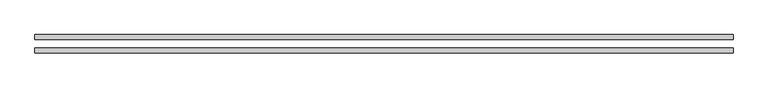
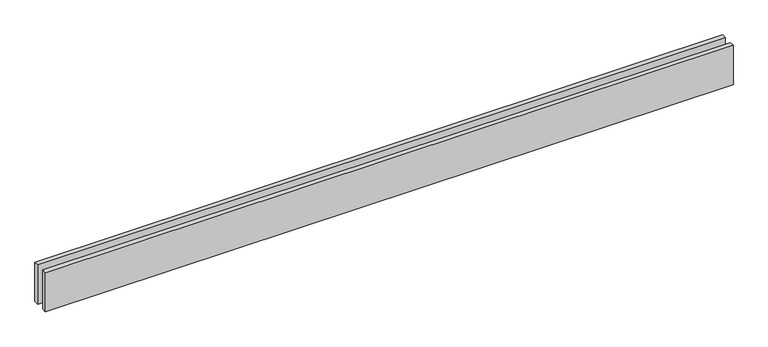
"""IFC4 building model written with IfcOpenShell, lengths in millimetres: proxy geometry."""

from ifc_helpers import new_model, si_unit, origin, origin_with_axes, place, context, project, spatial, polyline, outline, extrude, source, transform, mapped, element, save


def generic_models_77a49a17(model_context):
    return source(origin(), model_context, "Body", "SweptSolid", [
        extrude(outline(polyline([(4146.2680425, -25.0), (4146.2680425, -55.0), (0.0, -55.0), (0.0, -25.0), (4146.2680425, -25.0)])), origin_with_axes(), (0.0, 0.0, 1.0), 250.0),
        extrude(outline(polyline([(4146.2680425, 55.0), (4146.2680425, 25.0), (0.0, 25.0), (0.0, 55.0), (4146.2680425, 55.0)])), origin_with_axes(), (0.0, 0.0, 1.0), 250.0),
    ])


if __name__ == "__main__":
    model = new_model("IFC4")
    model_context = context("Model", 3, world=origin())
    ifc_project = project(units=[si_unit("LENGTHUNIT", "METRE", prefix="MILLI")], contexts=[model_context])
    site = spatial("IfcSite", under=ifc_project)
    building = spatial("IfcBuilding", under=site)
    placement = place(None, origin())
    generic_models_shape = generic_models_77a49a17(model_context)
    element("IfcBuildingElementProxy", 1, Name="Generic Models", at=placement, inside=building, context=model_context, shape_type="MappedRepresentation", body=[
        mapped(generic_models_shape, transform((0.0, 0.0, 0.0), x_axis=(1.0, 0.0, 0.0), y_axis=(0.0, 1.0, 0.0), z_axis=(0.0, 0.0, 1.0))),
    ])
    save(model, "model.ifc")
